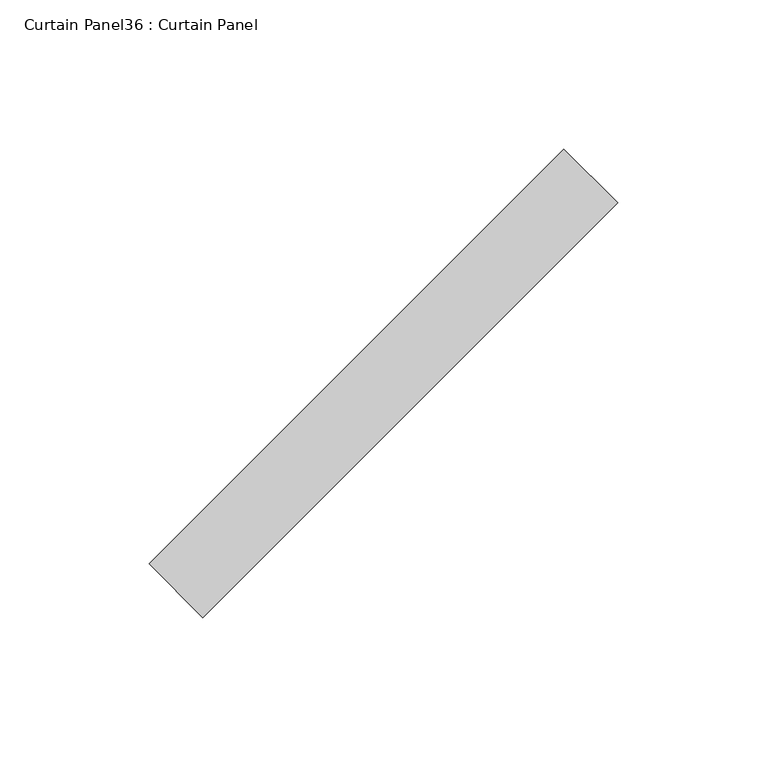
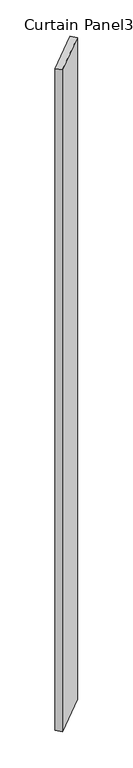
"""IFC4 building model written with IfcOpenShell, lengths in millimetres: plate geometry, Curtain Panel36 : Curtain Panel."""

from ifc_helpers import new_model, si_unit, frame, origin, place, context, project, spatial, polyline, outline, extrude, source, transform, mapped, element, save


def curtain_panel36_curtain_panel_eca0030e(model_context):
    return source(origin(), model_context, "Body", "SweptSolid", [
        extrude(outline(polyline([(83703.267611, 2786.8744595), (83564.0736411, 2647.6804896), (83546.1131289, 2665.6410019), (83685.3070988, 2804.8349717), (83703.267611, 2786.8744595)])), frame((0.0, 0.0, -687.1377978), z_axis=(0.0, 0.0, 1.0), x_axis=(1.0, 0.0, 0.0)), (0.0, 0.0, 1.0), 2743.2),
    ])


if __name__ == "__main__":
    model = new_model("IFC4")
    model_context = context("Model", 3, world=origin())
    ifc_project = project(units=[si_unit("LENGTHUNIT", "METRE", prefix="MILLI")], contexts=[model_context])
    site = spatial("IfcSite", under=ifc_project)
    building = spatial("IfcBuilding", under=site)
    placement = place(None, origin())
    curtain_panel36_curtain_panel_shape = curtain_panel36_curtain_panel_eca0030e(model_context)
    element("IfcPlate", 1, ObjectType="Curtain Panel36 : Curtain Panel", at=placement, inside=building, context=model_context, shape_type="MappedRepresentation", body=[
        mapped(curtain_panel36_curtain_panel_shape, transform((0.0, 0.0, 0.0), x_axis=(1.0, 0.0, 0.0), y_axis=(0.0, 1.0, 0.0), z_axis=(0.0, 0.0, 1.0))),
    ])
    save(model, "model.ifc")
